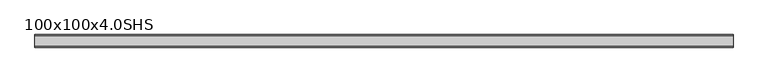
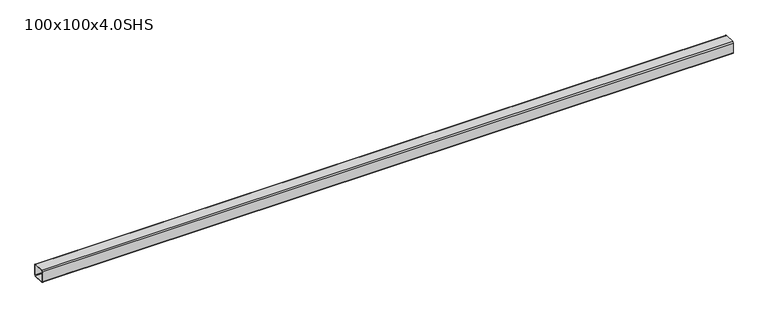
"""IFC4 building model written with IfcOpenShell, lengths in millimetres: beam geometry, 100x100x4.0SHS."""

from ifc_helpers import new_model, si_unit, point, frame, frame_2d, origin, place, context, project, spatial, polyline, circle_curve, trimmed, segment, composite_curve, outline, extrude, source, transform, mapped, element, save


def beam_100x100x4_0shs_6111e1ae(model_context):
    return source(origin(), model_context, "Body", "SweptSolid", [
        extrude(outline(composite_curve([segment(polyline([(50.0, 42.0), (50.0, -42.0)]), True, "CONTINUOUS"), segment(trimmed(circle_curve(frame_2d((42.0, -42.0)), 8.0), [point((50.0, -42.0))], [point((42.0, -50.0))], False, "CARTESIAN"), True, "CONTINUOUS"), segment(polyline([(42.0, -50.0), (-42.0, -50.0)]), True, "CONTINUOUS"), segment(trimmed(circle_curve(frame_2d((-42.0, -42.0)), 8.0), [point((-42.0, -50.0))], [point((-50.0, -42.0))], False, "CARTESIAN"), True, "CONTINUOUS"), segment(polyline([(-50.0, -42.0), (-50.0, 42.0)]), True, "CONTINUOUS"), segment(trimmed(circle_curve(frame_2d((-42.0, 42.0)), 8.0), [point((-50.0, 42.0))], [point((-42.0, 50.0))], False, "CARTESIAN"), True, "CONTINUOUS"), segment(polyline([(-42.0, 50.0), (42.0, 50.0)]), True, "CONTINUOUS"), segment(trimmed(circle_curve(frame_2d((42.0, 42.0)), 8.0), [point((42.0, 50.0))], [point((50.0, 42.0))], False, "CARTESIAN"), True, "CONTINUOUS")], self_intersect=False), holes=[composite_curve([segment(trimmed(circle_curve(frame_2d((-42.0, 42.0)), 4.0), [point((-42.0, 46.0))], [point((-46.0, 42.0))], True, "CARTESIAN"), True, "CONTINUOUS"), segment(polyline([(-46.0, 42.0), (-46.0, -42.0)]), True, "CONTINUOUS"), segment(trimmed(circle_curve(frame_2d((-42.0, -42.0)), 4.0), [point((-46.0, -42.0))], [point((-42.0, -46.0))], True, "CARTESIAN"), True, "CONTINUOUS"), segment(polyline([(-42.0, -46.0), (42.0, -46.0)]), True, "CONTINUOUS"), segment(trimmed(circle_curve(frame_2d((42.0, -42.0)), 4.0), [point((42.0, -46.0))], [point((46.0, -42.0))], True, "CARTESIAN"), True, "CONTINUOUS"), segment(polyline([(46.0, -42.0), (46.0, 42.0)]), True, "CONTINUOUS"), segment(trimmed(circle_curve(frame_2d((42.0, 42.0)), 4.0), [point((46.0, 42.0))], [point((42.0, 46.0))], True, "CARTESIAN"), True, "CONTINUOUS"), segment(polyline([(42.0, 46.0), (-42.0, 46.0)]), True, "CONTINUOUS")], self_intersect=False)]), frame((-2844.15, 0.0, 0.0), z_axis=(1.0, 0.0, 0.0), x_axis=(0.0, 1.0, 0.0)), (0.0, 0.0, 1.0), 5544.0),
    ])


if __name__ == "__main__":
    model = new_model("IFC4")
    model_context = context("Model", 3, world=origin())
    ifc_project = project(units=[si_unit("LENGTHUNIT", "METRE", prefix="MILLI")], contexts=[model_context])
    site = spatial("IfcSite", under=ifc_project)
    building = spatial("IfcBuilding", under=site)
    placement = place(None, origin())
    beam_100x100x4_0shs_shape = beam_100x100x4_0shs_6111e1ae(model_context)
    element("IfcBeam", 1, ObjectType="100x100x4.0SHS", at=placement, inside=building, context=model_context, shape_type="MappedRepresentation", body=[
        mapped(beam_100x100x4_0shs_shape, transform((0.0, 0.0, 0.0), x_axis=(1.0, 0.0, 0.0), y_axis=(0.0, 1.0, 0.0), z_axis=(0.0, 0.0, 1.0))),
    ])
    save(model, "model.ifc")
